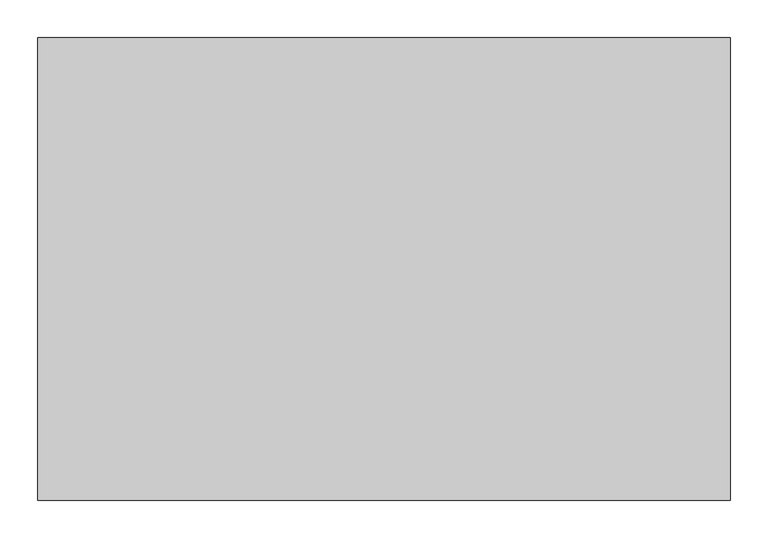
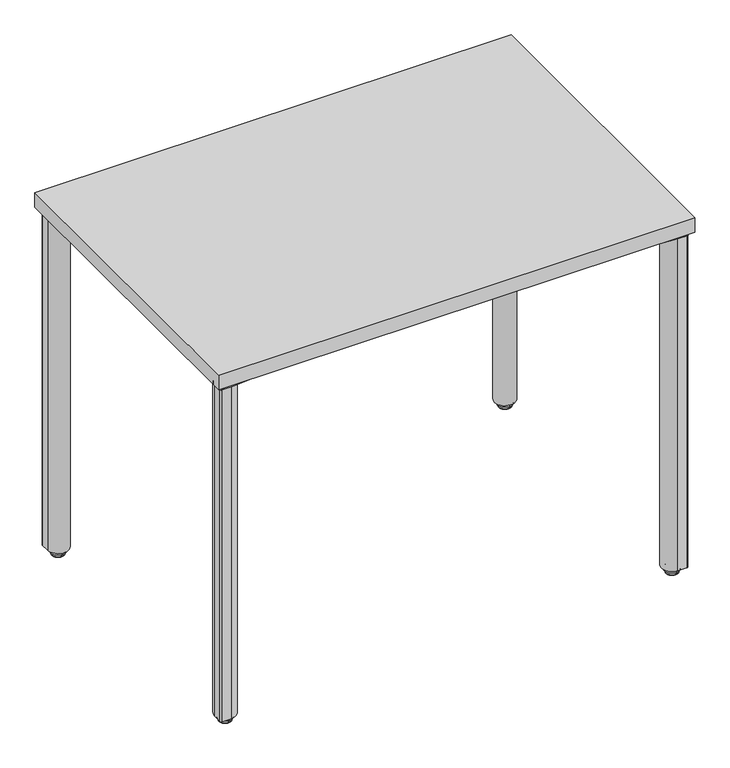
"""IFC4 building model written with IfcOpenShell, lengths in millimetres: furniture geometry."""

from ifc_helpers import new_model, si_unit, point, frame, frame_2d, origin, place, context, project, spatial, polyline, circle_curve, ellipse_curve, trimmed, segment, composite_curve, outline, extrude, source, transform, mapped, element, save
from ifc_brep_helpers import plane_surface, cylinder_surface, revolved_surface, advanced_brep


def furniture_d3efd274(model_context):
    return source(origin(), model_context, "Body", "SolidModel", [
        extrude(outline(composite_curve([segment(polyline([(882.3282419, -602.3591905), (806.9488309, -595.7643464)]), True, "CONTINUOUS"), segment(trimmed(circle_curve(frame_2d((809.1277263, -570.8594586)), 25.0000204), [point((806.9488309, -595.7643464))], [point((791.4500399, -588.5371401))], False, "CARTESIAN"), True, "CONTINUOUS"), segment(polyline([(791.4500399, -588.5371401), (775.4744349, -572.5615305)]), True, "CONTINUOUS"), segment(trimmed(circle_curve(frame_2d((793.1520997, -554.8838707)), 24.9999898), [point((775.4744349, -572.5615305))], [point((768.2472426, -557.0627657))], False, "CARTESIAN"), True, "CONTINUOUS"), segment(polyline([(768.2472426, -557.0627657), (761.7313511, -482.5858634)]), True, "CONTINUOUS"), segment(trimmed(circle_curve(frame_2d((784.2108747, -482.5858634)), 22.4795236), [point((761.7313511, -482.5858634))], [point((784.2108747, -460.1063398))], False, "CARTESIAN"), True, "CONTINUOUS"), segment(polyline([(784.2108747, -460.1063398), (858.6877788, -466.6222314)]), True, "CONTINUOUS"), segment(trimmed(circle_curve(frame_2d((856.5088843, -491.5270836)), 24.9999849), [point((858.6877788, -466.6222314))], [point((874.1865419, -473.8494235))], False, "CARTESIAN"), True, "CONTINUOUS"), segment(polyline([(874.1865419, -473.8494235), (890.1621588, -489.8250381)]), True, "CONTINUOUS"), segment(trimmed(circle_curve(frame_2d((872.4844922, -507.5027072)), 24.9999976), [point((890.1621588, -489.8250381))], [point((897.3893573, -505.323814))], False, "CARTESIAN"), True, "CONTINUOUS"), segment(polyline([(897.3893573, -505.323814), (903.9842007, -580.7032242), (903.9842007, -599.3591908)]), True, "CONTINUOUS"), segment(trimmed(circle_curve(frame_2d((900.984201, -599.3591908)), 2.9999997), [point((903.9842007, -599.3591908))], [point((900.984201, -602.3591905))], False, "CARTESIAN"), True, "CONTINUOUS"), segment(polyline([(900.984201, -602.3591905), (882.3282419, -602.3591905)]), True, "CONTINUOUS")], self_intersect=False)), frame((0.0, 0.0, 686.384201), z_axis=(0.0, 0.0, 1.0), x_axis=(1.0, 0.0, 0.0)), (0.0, 0.0, 1.0), 7.9248),
        advanced_brep(
        [(883.2342, -577.6130981, 14.6833482), (883.2342, -585.6053019, 14.6833482), (883.2342, -581.6092, 14.6833482), (883.2342, -577.6130981, 12.9644666), (883.2342, -585.6053019, 12.9644666), (883.2342, -569.648784, 11.5824174), (883.2342, -593.569616, 11.5824174), (883.2342, -569.1277894, 2.659626), (883.2342, -594.0906106, 2.659626), (883.2342, -595.8548023, 6.9187598), (883.2342, -567.3635977, 6.9187598), (883.2342, -581.6092, 0.0), (883.2342, -590.2922711, 0.0), (883.2342, -572.9261289, 0.0)],
        [
            (0, 1, circle_curve(frame((883.2342, -581.6092, 14.6833482), z_axis=(0.0, 0.0, 1.0), x_axis=(0.0, -1.0, 0.0)), 3.9961019)),
            (1, 2),
            (2, 0),
            (1, 0, circle_curve(frame((883.2342, -581.6092, 14.6833482), z_axis=(0.0, 0.0, 1.0), x_axis=(0.0, -1.0, 0.0)), 3.9961019)),
            (3, 4, circle_curve(frame((883.2342, -581.6092, 12.9644666), z_axis=(0.0, 0.0, 1.0), x_axis=(0.0, -1.0, 0.0)), 3.9961019)),
            (4, 1),
            (0, 3),
            (4, 3, circle_curve(frame((883.2342, -581.6092, 12.9644666), z_axis=(0.0, 0.0, 1.0), x_axis=(0.0, -1.0, 0.0)), 3.9961019)),
            (5, 6, circle_curve(frame((883.2342, -581.6092, 11.5824174), z_axis=(0.0, 0.0, 1.0), x_axis=(0.0, -1.0, 0.0)), 11.960416)),
            (6, 4),
            (3, 5),
            (6, 5, circle_curve(frame((883.2342, -581.6092, 11.5824174), z_axis=(0.0, 0.0, 1.0), x_axis=(0.0, -1.0, 0.0)), 11.960416)),
            (7, 8, circle_curve(frame((883.2342, -581.6092, 2.659626), z_axis=(0.0, 0.0, 1.0), x_axis=(0.0, -1.0, 0.0)), 12.4814106)),
            (8, 9),
            (9, 10, circle_curve(frame((883.2342, -581.6092, 6.9187598), z_axis=(0.0, 0.0, -1.0), x_axis=(0.0, -1.0, 0.0)), 14.2456023)),
            (10, 7),
            (8, 7, circle_curve(frame((883.2342, -581.6092, 2.659626), z_axis=(0.0, 0.0, 1.0), x_axis=(0.0, -1.0, 0.0)), 12.4814106)),
            (10, 9, circle_curve(frame((883.2342, -581.6092, 6.9187598), z_axis=(0.0, 0.0, -1.0), x_axis=(0.0, -1.0, 0.0)), 14.2456023)),
            (11, 12),
            (12, 13, circle_curve(frame((883.2342, -581.6092, 0.0), z_axis=(0.0, 0.0, -1.0), x_axis=(0.0, -1.0, 0.0)), 8.6830711)),
            (13, 11),
            (13, 12, circle_curve(frame((883.2342, -581.6092, 0.0), z_axis=(0.0, 0.0, -1.0), x_axis=(0.0, -1.0, 0.0)), 8.6830711)),
            (9, 6, circle_curve(frame((883.2342, -592.656773, 8.2434275), z_axis=(-1.0, 0.0, 0.0), x_axis=(0.0, -1.0, 0.0)), 3.4615222)),
            (5, 10, circle_curve(frame((883.2342, -570.561627, 8.2434275), z_axis=(-1.0, 0.0, 0.0), x_axis=(0.0, 1.0, 0.0)), 3.4615222)),
            (12, 8, circle_curve(frame((883.2342, -590.1040518, 4.3109134), z_axis=(-1.0, 0.0, 0.0), x_axis=(0.0, -1.0, 0.0)), 4.3150204)),
            (7, 13, circle_curve(frame((883.2342, -573.1143482, 4.3109134), z_axis=(-1.0, 0.0, 0.0), x_axis=(0.0, 1.0, 0.0)), 4.3150204)),
        ],
        [
            plane_surface(frame((883.2342, -581.6092, 14.6833482), z_axis=(0.0, 0.0, 1.0), x_axis=(0.0, -1.0, 0.0))),
            cylinder_surface(frame((883.2342, -581.6092, 2438.4), z_axis=(0.0, 0.0, -1.0), x_axis=(0.0, -1.0, 0.0)), 3.9961019),
            revolved_surface(polyline([(883.2342, -585.6053019, 12.9644666), (883.2342, -593.569616, 11.5824174)]), (883.2342, -581.6092, 2438.4), (0.0, 0.0, -1.0)),
            revolved_surface(polyline([(883.2342, -595.8548023, 6.9187598), (883.2342, -594.0906106, 2.659626)]), (883.2342, -581.6092, 2438.4), (0.0, 0.0, -1.0)),
            plane_surface(frame((883.2342, -581.6092, 0.0), z_axis=(0.0, 0.0, -1.0), x_axis=(0.0, -1.0, 0.0))),
            revolved_surface(trimmed(ellipse_curve(frame((883.2342, -592.656773, 8.2434275), z_axis=(1.0, 0.0, 0.0), x_axis=(0.0, -1.0, 0.0)), 3.4615222, 3.4615222), [point((883.2342, -593.569616, 11.5824174))], [point((883.2342, -595.8548023, 6.9187598))], True, "CARTESIAN"), (883.2342, -581.6092, 2438.4), (0.0, 0.0, -1.0)),
            revolved_surface(trimmed(ellipse_curve(frame((883.2342, -590.1040518, 4.3109134), z_axis=(1.0, 0.0, 0.0), x_axis=(0.0, -1.0, 0.0)), 4.3150204, 4.3150204), [point((883.2342, -594.0906106, 2.659626))], [point((883.2342, -590.2922711, 0.0))], True, "CARTESIAN"), (883.2342, -581.6092, 2438.4), (0.0, 0.0, -1.0)),
        ],
        [
            (0, [[1, 2, 3]]),
            (0, [[4, -3, -2]]),
            (1, [[5, 6, -1, 7]]),
            (1, [[8, -7, -4, -6]]),
            (2, [[9, 10, -5, 11]]),
            (2, [[12, -11, -8, -10]]),
            (3, [[13, 14, 15, 16]]),
            (3, [[17, -16, 18, -14]]),
            (4, [[19, 20, 21]]),
            (4, [[-21, 22, -19]]),
            (5, [[-15, 23, -9, 24]]),
            (5, [[-18, -24, -12, -23]]),
            (6, [[-20, 25, -13, 26]]),
            (6, [[-22, -26, -17, -25]]),
        ],
    ),
        extrude(outline(composite_curve([segment(trimmed(circle_curve(frame_2d((883.2389509, -581.6139401)), 19.9952502), [point((883.2389509, -601.6091903))], [point((903.2342011, -581.6139401))], False, "CARTESIAN"), True, "CONTINUOUS"), segment(polyline([(903.2342011, -581.6139401), (903.2342011, -598.6089752)]), True, "CONTINUOUS"), segment(trimmed(circle_curve(frame_2d((900.233986, -598.6089752)), 3.000215), [point((903.2342011, -598.6089752))], [point((900.233986, -601.6091903))], False, "CARTESIAN"), True, "CONTINUOUS"), segment(polyline([(900.233986, -601.6091903), (883.2389509, -601.6091903)]), True, "CONTINUOUS")], self_intersect=False)), frame((0.0, 0.0, 14.6833482), z_axis=(0.0, 0.0, 1.0), x_axis=(1.0, 0.0, 0.0)), (0.0, 0.0, 1.0), 671.7008528),
        extrude(outline(composite_curve([segment(polyline([(28.8967581, -602.3591905), (10.240799, -602.3591905)]), True, "CONTINUOUS"), segment(trimmed(circle_curve(frame_2d((10.240799, -599.3591908)), 2.9999997), [point((10.240799, -602.3591905))], [point((7.2407993, -599.3591908))], False, "CARTESIAN"), True, "CONTINUOUS"), segment(polyline([(7.2407993, -599.3591908), (7.2407993, -580.7032242), (13.8356427, -505.323814)]), True, "CONTINUOUS"), segment(trimmed(circle_curve(frame_2d((38.7405078, -507.5027072)), 24.9999976), [point((13.8356427, -505.323814))], [point((21.0628412, -489.8250381))], False, "CARTESIAN"), True, "CONTINUOUS"), segment(polyline([(21.0628412, -489.8250381), (37.0384581, -473.8494235)]), True, "CONTINUOUS"), segment(trimmed(circle_curve(frame_2d((54.7161157, -491.5270836)), 24.9999849), [point((37.0384581, -473.8494235))], [point((52.5372212, -466.6222314))], False, "CARTESIAN"), True, "CONTINUOUS"), segment(polyline([(52.5372212, -466.6222314), (127.0141253, -460.1063398)]), True, "CONTINUOUS"), segment(trimmed(circle_curve(frame_2d((127.0141253, -482.5858634)), 22.4795236), [point((127.0141253, -460.1063398))], [point((149.4936489, -482.5858634))], False, "CARTESIAN"), True, "CONTINUOUS"), segment(polyline([(149.4936489, -482.5858634), (142.9777574, -557.0627657)]), True, "CONTINUOUS"), segment(trimmed(circle_curve(frame_2d((118.0729003, -554.8838707)), 24.9999898), [point((142.9777574, -557.0627657))], [point((135.7505651, -572.5615305))], False, "CARTESIAN"), True, "CONTINUOUS"), segment(polyline([(135.7505651, -572.5615305), (119.7749601, -588.5371401)]), True, "CONTINUOUS"), segment(trimmed(circle_curve(frame_2d((102.0972737, -570.8594586)), 25.0000204), [point((119.7749601, -588.5371401))], [point((104.2761691, -595.7643464))], False, "CARTESIAN"), True, "CONTINUOUS"), segment(polyline([(104.2761691, -595.7643464), (28.8967581, -602.3591905)]), True, "CONTINUOUS")], self_intersect=False)), frame((0.0, 0.0, 686.384201), z_axis=(0.0, 0.0, 1.0), x_axis=(1.0, 0.0, 0.0)), (0.0, 0.0, 1.0), 7.9248),
        advanced_brep(
        [(27.9908, -577.6130981, 14.6833482), (27.9908, -581.6092, 14.6833482), (27.9908, -585.6053019, 14.6833482), (27.9908, -577.6130981, 12.9644666), (27.9908, -585.6053019, 12.9644666), (27.9908, -569.648784, 11.5824174), (27.9908, -593.569616, 11.5824174), (27.9908, -569.1277894, 2.659626), (27.9908, -567.3635977, 6.9187598), (27.9908, -595.8548023, 6.9187598), (27.9908, -594.0906106, 2.659626), (27.9908, -581.6092, 0.0), (27.9908, -572.9261289, 0.0), (27.9908, -590.2922711, 0.0)],
        [
            (0, 1),
            (1, 2),
            (2, 0, circle_curve(frame((27.9908, -581.6092, 14.6833482), z_axis=(0.0, 0.0, 1.0), x_axis=(0.0, -1.0, 0.0)), 3.9961019)),
            (0, 2, circle_curve(frame((27.9908, -581.6092, 14.6833482), z_axis=(0.0, 0.0, 1.0), x_axis=(0.0, -1.0, 0.0)), 3.9961019)),
            (3, 0),
            (2, 4),
            (4, 3, circle_curve(frame((27.9908, -581.6092, 12.9644666), z_axis=(0.0, 0.0, 1.0), x_axis=(0.0, -1.0, 0.0)), 3.9961019)),
            (3, 4, circle_curve(frame((27.9908, -581.6092, 12.9644666), z_axis=(0.0, 0.0, 1.0), x_axis=(0.0, -1.0, 0.0)), 3.9961019)),
            (5, 3),
            (4, 6),
            (6, 5, circle_curve(frame((27.9908, -581.6092, 11.5824174), z_axis=(0.0, 0.0, 1.0), x_axis=(0.0, -1.0, 0.0)), 11.960416)),
            (5, 6, circle_curve(frame((27.9908, -581.6092, 11.5824174), z_axis=(0.0, 0.0, 1.0), x_axis=(0.0, -1.0, 0.0)), 11.960416)),
            (7, 8),
            (8, 9, circle_curve(frame((27.9908, -581.6092, 6.9187598), z_axis=(0.0, 0.0, -1.0), x_axis=(0.0, -1.0, 0.0)), 14.2456023)),
            (9, 10),
            (10, 7, circle_curve(frame((27.9908, -581.6092, 2.659626), z_axis=(0.0, 0.0, 1.0), x_axis=(0.0, -1.0, 0.0)), 12.4814106)),
            (9, 8, circle_curve(frame((27.9908, -581.6092, 6.9187598), z_axis=(0.0, 0.0, -1.0), x_axis=(0.0, -1.0, 0.0)), 14.2456023)),
            (7, 10, circle_curve(frame((27.9908, -581.6092, 2.659626), z_axis=(0.0, 0.0, 1.0), x_axis=(0.0, -1.0, 0.0)), 12.4814106)),
            (11, 12),
            (12, 13, circle_curve(frame((27.9908, -581.6092, 0.0), z_axis=(0.0, 0.0, -1.0), x_axis=(0.0, -1.0, 0.0)), 8.6830711)),
            (13, 11),
            (13, 12, circle_curve(frame((27.9908, -581.6092, 0.0), z_axis=(0.0, 0.0, -1.0), x_axis=(0.0, -1.0, 0.0)), 8.6830711)),
            (8, 5, circle_curve(frame((27.9908, -570.561627, 8.2434275), z_axis=(1.0, 0.0, 0.0), x_axis=(0.0, 1.0, 0.0)), 3.4615222)),
            (6, 9, circle_curve(frame((27.9908, -592.656773, 8.2434275), z_axis=(1.0, 0.0, 0.0), x_axis=(0.0, -1.0, 0.0)), 3.4615222)),
            (12, 7, circle_curve(frame((27.9908, -573.1143482, 4.3109134), z_axis=(1.0, 0.0, 0.0), x_axis=(0.0, 1.0, 0.0)), 4.3150204)),
            (10, 13, circle_curve(frame((27.9908, -590.1040518, 4.3109134), z_axis=(1.0, 0.0, 0.0), x_axis=(0.0, -1.0, 0.0)), 4.3150204)),
        ],
        [
            plane_surface(frame((27.9908, -581.6092, 14.6833482), z_axis=(0.0, 0.0, 1.0), x_axis=(0.0, -1.0, 0.0))),
            cylinder_surface(frame((27.9908, -581.6092, 2438.4), z_axis=(0.0, 0.0, -1.0), x_axis=(0.0, -1.0, 0.0)), 3.9961019),
            revolved_surface(polyline([(27.9908, -585.6053019, 12.9644666), (27.9908, -593.569616, 11.5824174)]), (27.9908, -581.6092, 2438.4), (0.0, 0.0, -1.0)),
            revolved_surface(polyline([(27.9908, -595.8548023, 6.9187598), (27.9908, -594.0906106, 2.659626)]), (27.9908, -581.6092, 2438.4), (0.0, 0.0, -1.0)),
            plane_surface(frame((27.9908, -581.6092, 0.0), z_axis=(0.0, 0.0, -1.0), x_axis=(0.0, -1.0, 0.0))),
            revolved_surface(trimmed(ellipse_curve(frame((27.9908, -592.656773, 8.2434275), z_axis=(1.0, 0.0, 0.0), x_axis=(0.0, -1.0, 0.0)), 3.4615222, 3.4615222), [point((27.9908, -593.569616, 11.5824174))], [point((27.9908, -595.8548023, 6.9187598))], True, "CARTESIAN"), (27.9908, -581.6092, 2438.4), (0.0, 0.0, -1.0)),
            revolved_surface(trimmed(ellipse_curve(frame((27.9908, -590.1040518, 4.3109134), z_axis=(1.0, 0.0, 0.0), x_axis=(0.0, -1.0, 0.0)), 4.3150204, 4.3150204), [point((27.9908, -594.0906106, 2.659626))], [point((27.9908, -590.2922711, 0.0))], True, "CARTESIAN"), (27.9908, -581.6092, 2438.4), (0.0, 0.0, -1.0)),
        ],
        [
            (0, [[1, 2, 3]]),
            (0, [[-2, -1, 4]]),
            (1, [[5, -3, 6, 7]]),
            (1, [[-6, -4, -5, 8]]),
            (2, [[9, -7, 10, 11]]),
            (2, [[-10, -8, -9, 12]]),
            (3, [[13, 14, 15, 16]]),
            (3, [[-15, 17, -13, 18]]),
            (4, [[19, 20, 21]]),
            (4, [[-21, 22, -19]]),
            (5, [[23, -11, 24, -14]]),
            (5, [[-24, -12, -23, -17]]),
            (6, [[25, -16, 26, -20]]),
            (6, [[-26, -18, -25, -22]]),
        ],
    ),
        extrude(outline(composite_curve([segment(polyline([(27.9860491, -601.6091903), (10.991014, -601.6091903)]), True, "CONTINUOUS"), segment(trimmed(circle_curve(frame_2d((10.991014, -598.6089752)), 3.000215), [point((10.991014, -601.6091903))], [point((7.9907989, -598.6089752))], False, "CARTESIAN"), True, "CONTINUOUS"), segment(polyline([(7.9907989, -598.6089752), (7.9907989, -581.6139401)]), True, "CONTINUOUS"), segment(trimmed(circle_curve(frame_2d((27.9860491, -581.6139401)), 19.9952502), [point((7.9907989, -581.6139401))], [point((27.9860491, -601.6091903))], False, "CARTESIAN"), True, "CONTINUOUS")], self_intersect=False)), frame((0.0, 0.0, 14.6833482), z_axis=(0.0, 0.0, 1.0), x_axis=(1.0, 0.0, 0.0)), (0.0, 0.0, 1.0), 671.7008528),
        extrude(outline(composite_curve([segment(polyline([(882.3282419, -7.2408095), (900.984201, -7.2408095)]), True, "CONTINUOUS"), segment(trimmed(circle_curve(frame_2d((900.984201, -10.2408092)), 2.9999997), [point((900.984201, -7.2408095))], [point((903.9842007, -10.2408092))], False, "CARTESIAN"), True, "CONTINUOUS"), segment(polyline([(903.9842007, -10.2408092), (903.9842007, -28.8967758), (897.3893573, -104.276186)]), True, "CONTINUOUS"), segment(trimmed(circle_curve(frame_2d((872.4844922, -102.0972928)), 24.9999976), [point((897.3893573, -104.276186))], [point((890.1621588, -119.7749619))], False, "CARTESIAN"), True, "CONTINUOUS"), segment(polyline([(890.1621588, -119.7749619), (874.1865419, -135.7505765)]), True, "CONTINUOUS"), segment(trimmed(circle_curve(frame_2d((856.5088843, -118.0729164)), 24.9999849), [point((874.1865419, -135.7505765))], [point((858.6877788, -142.9777686))], False, "CARTESIAN"), True, "CONTINUOUS"), segment(polyline([(858.6877788, -142.9777686), (784.2108747, -149.4936602)]), True, "CONTINUOUS"), segment(trimmed(circle_curve(frame_2d((784.2108747, -127.0141366)), 22.4795236), [point((784.2108747, -149.4936602))], [point((761.7313511, -127.0141366))], False, "CARTESIAN"), True, "CONTINUOUS"), segment(polyline([(761.7313511, -127.0141366), (768.2472426, -52.5372343)]), True, "CONTINUOUS"), segment(trimmed(circle_curve(frame_2d((793.1520997, -54.7161293)), 24.9999898), [point((768.2472426, -52.5372343))], [point((775.4744349, -37.0384695))], False, "CARTESIAN"), True, "CONTINUOUS"), segment(polyline([(775.4744349, -37.0384695), (791.4500399, -21.0628599)]), True, "CONTINUOUS"), segment(trimmed(circle_curve(frame_2d((809.1277263, -38.7405414)), 25.0000204), [point((791.4500399, -21.0628599))], [point((806.9488309, -13.8356536))], False, "CARTESIAN"), True, "CONTINUOUS"), segment(polyline([(806.9488309, -13.8356536), (882.3282419, -7.2408095)]), True, "CONTINUOUS")], self_intersect=False)), frame((0.0, 0.0, 686.384201), z_axis=(0.0, 0.0, 1.0), x_axis=(1.0, 0.0, 0.0)), (0.0, 0.0, 1.0), 7.9248),
        advanced_brep(
        [(883.2342, -31.9869019, 14.6833482), (883.2342, -27.9908, 14.6833482), (883.2342, -23.9946981, 14.6833482), (883.2342, -31.9869019, 12.9644666), (883.2342, -23.9946981, 12.9644666), (883.2342, -39.951216, 11.5824174), (883.2342, -16.030384, 11.5824174), (883.2342, -40.4722106, 2.659626), (883.2342, -42.2364023, 6.9187598), (883.2342, -13.7451977, 6.9187598), (883.2342, -15.5093894, 2.659626), (883.2342, -27.9908, 0.0), (883.2342, -36.6738711, 0.0), (883.2342, -19.3077289, 0.0)],
        [
            (0, 1),
            (1, 2),
            (2, 0, circle_curve(frame((883.2342, -27.9908, 14.6833482), z_axis=(0.0, 0.0, 1.0), x_axis=(0.0, 1.0, 0.0)), 3.9961019)),
            (0, 2, circle_curve(frame((883.2342, -27.9908, 14.6833482), z_axis=(0.0, 0.0, 1.0), x_axis=(0.0, 1.0, 0.0)), 3.9961019)),
            (3, 0),
            (2, 4),
            (4, 3, circle_curve(frame((883.2342, -27.9908, 12.9644666), z_axis=(0.0, 0.0, 1.0), x_axis=(0.0, 1.0, 0.0)), 3.9961019)),
            (3, 4, circle_curve(frame((883.2342, -27.9908, 12.9644666), z_axis=(0.0, 0.0, 1.0), x_axis=(0.0, 1.0, 0.0)), 3.9961019)),
            (5, 3),
            (4, 6),
            (6, 5, circle_curve(frame((883.2342, -27.9908, 11.5824174), z_axis=(0.0, 0.0, 1.0), x_axis=(0.0, 1.0, 0.0)), 11.960416)),
            (5, 6, circle_curve(frame((883.2342, -27.9908, 11.5824174), z_axis=(0.0, 0.0, 1.0), x_axis=(0.0, 1.0, 0.0)), 11.960416)),
            (7, 8),
            (8, 9, circle_curve(frame((883.2342, -27.9908, 6.9187598), z_axis=(0.0, 0.0, -1.0), x_axis=(0.0, 1.0, 0.0)), 14.2456023)),
            (9, 10),
            (10, 7, circle_curve(frame((883.2342, -27.9908, 2.659626), z_axis=(0.0, 0.0, 1.0), x_axis=(0.0, 1.0, 0.0)), 12.4814106)),
            (9, 8, circle_curve(frame((883.2342, -27.9908, 6.9187598), z_axis=(0.0, 0.0, -1.0), x_axis=(0.0, 1.0, 0.0)), 14.2456023)),
            (7, 10, circle_curve(frame((883.2342, -27.9908, 2.659626), z_axis=(0.0, 0.0, 1.0), x_axis=(0.0, 1.0, 0.0)), 12.4814106)),
            (11, 12),
            (12, 13, circle_curve(frame((883.2342, -27.9908, 0.0), z_axis=(0.0, 0.0, -1.0), x_axis=(0.0, 1.0, 0.0)), 8.6830711)),
            (13, 11),
            (13, 12, circle_curve(frame((883.2342, -27.9908, 0.0), z_axis=(0.0, 0.0, -1.0), x_axis=(0.0, 1.0, 0.0)), 8.6830711)),
            (8, 5, circle_curve(frame((883.2342, -39.038373, 8.2434275), z_axis=(-1.0, 0.0, 0.0), x_axis=(0.0, -1.0, 0.0)), 3.4615222)),
            (6, 9, circle_curve(frame((883.2342, -16.943227, 8.2434275), z_axis=(-1.0, 0.0, 0.0), x_axis=(0.0, 1.0, 0.0)), 3.4615222)),
            (12, 7, circle_curve(frame((883.2342, -36.4856518, 4.3109134), z_axis=(-1.0, 0.0, 0.0), x_axis=(0.0, -1.0, 0.0)), 4.3150204)),
            (10, 13, circle_curve(frame((883.2342, -19.4959482, 4.3109134), z_axis=(-1.0, 0.0, 0.0), x_axis=(0.0, 1.0, 0.0)), 4.3150204)),
        ],
        [
            plane_surface(frame((883.2342, -27.9908, 14.6833482), z_axis=(0.0, 0.0, 1.0), x_axis=(0.0, 1.0, 0.0))),
            cylinder_surface(frame((883.2342, -27.9908, 2438.4), z_axis=(0.0, 0.0, -1.0), x_axis=(0.0, 1.0, 0.0)), 3.9961019),
            revolved_surface(polyline([(883.2342, -23.9946981, 12.9644666), (883.2342, -16.030384, 11.5824174)]), (883.2342, -27.9908, 2438.4), (0.0, 0.0, -1.0)),
            revolved_surface(polyline([(883.2342, -13.7451977, 6.9187598), (883.2342, -15.5093894, 2.659626)]), (883.2342, -27.9908, 2438.4), (0.0, 0.0, -1.0)),
            plane_surface(frame((883.2342, -27.9908, 0.0), z_axis=(0.0, 0.0, -1.0), x_axis=(0.0, 1.0, 0.0))),
            revolved_surface(trimmed(ellipse_curve(frame((883.2342, -16.943227, 8.2434275), z_axis=(-1.0, 0.0, 0.0), x_axis=(0.0, 1.0, 0.0)), 3.4615222, 3.4615222), [point((883.2342, -16.030384, 11.5824174))], [point((883.2342, -13.7451977, 6.9187598))], True, "CARTESIAN"), (883.2342, -27.9908, 2438.4), (0.0, 0.0, -1.0)),
            revolved_surface(trimmed(ellipse_curve(frame((883.2342, -19.4959482, 4.3109134), z_axis=(-1.0, 0.0, 0.0), x_axis=(0.0, 1.0, 0.0)), 4.3150204, 4.3150204), [point((883.2342, -15.5093894, 2.659626))], [point((883.2342, -19.3077289, 0.0))], True, "CARTESIAN"), (883.2342, -27.9908, 2438.4), (0.0, 0.0, -1.0)),
        ],
        [
            (0, [[1, 2, 3]]),
            (0, [[-2, -1, 4]]),
            (1, [[5, -3, 6, 7]]),
            (1, [[-6, -4, -5, 8]]),
            (2, [[9, -7, 10, 11]]),
            (2, [[-10, -8, -9, 12]]),
            (3, [[13, 14, 15, 16]]),
            (3, [[-15, 17, -13, 18]]),
            (4, [[19, 20, 21]]),
            (4, [[-21, 22, -19]]),
            (5, [[23, -11, 24, -14]]),
            (5, [[-24, -12, -23, -17]]),
            (6, [[25, -16, 26, -20]]),
            (6, [[-26, -18, -25, -22]]),
        ],
    ),
        extrude(outline(composite_curve([segment(polyline([(883.2389509, -7.9908097), (900.233986, -7.9908097)]), True, "CONTINUOUS"), segment(trimmed(circle_curve(frame_2d((900.233986, -10.9910248)), 3.000215), [point((900.233986, -7.9908097))], [point((903.2342011, -10.9910248))], False, "CARTESIAN"), True, "CONTINUOUS"), segment(polyline([(903.2342011, -10.9910248), (903.2342011, -27.9860599)]), True, "CONTINUOUS"), segment(trimmed(circle_curve(frame_2d((883.2389509, -27.9860599)), 19.9952502), [point((903.2342011, -27.9860599))], [point((883.2389509, -7.9908097))], False, "CARTESIAN"), True, "CONTINUOUS")], self_intersect=False)), frame((0.0, 0.0, 14.6833482), z_axis=(0.0, 0.0, 1.0), x_axis=(1.0, 0.0, 0.0)), (0.0, 0.0, 1.0), 671.7008528),
        extrude(outline(composite_curve([segment(polyline([(28.8967581, -7.2408095), (104.2761691, -13.8356536)]), True, "CONTINUOUS"), segment(trimmed(circle_curve(frame_2d((102.0972737, -38.7405414)), 25.0000204), [point((104.2761691, -13.8356536))], [point((119.7749601, -21.0628599))], False, "CARTESIAN"), True, "CONTINUOUS"), segment(polyline([(119.7749601, -21.0628599), (135.7505651, -37.0384695)]), True, "CONTINUOUS"), segment(trimmed(circle_curve(frame_2d((118.0729003, -54.7161293)), 24.9999898), [point((135.7505651, -37.0384695))], [point((142.9777574, -52.5372343))], False, "CARTESIAN"), True, "CONTINUOUS"), segment(polyline([(142.9777574, -52.5372343), (149.4936489, -127.0141366)]), True, "CONTINUOUS"), segment(trimmed(circle_curve(frame_2d((127.0141253, -127.0141366)), 22.4795236), [point((149.4936489, -127.0141366))], [point((127.0141253, -149.4936602))], False, "CARTESIAN"), True, "CONTINUOUS"), segment(polyline([(127.0141253, -149.4936602), (52.5372212, -142.9777686)]), True, "CONTINUOUS"), segment(trimmed(circle_curve(frame_2d((54.7161157, -118.0729164)), 24.9999849), [point((52.5372212, -142.9777686))], [point((37.0384581, -135.7505765))], False, "CARTESIAN"), True, "CONTINUOUS"), segment(polyline([(37.0384581, -135.7505765), (21.0628412, -119.7749619)]), True, "CONTINUOUS"), segment(trimmed(circle_curve(frame_2d((38.7405078, -102.0972928)), 24.9999976), [point((21.0628412, -119.7749619))], [point((13.8356427, -104.276186))], False, "CARTESIAN"), True, "CONTINUOUS"), segment(polyline([(13.8356427, -104.276186), (7.2407993, -28.8967758), (7.2407993, -10.2408092)]), True, "CONTINUOUS"), segment(trimmed(circle_curve(frame_2d((10.240799, -10.2408092)), 2.9999997), [point((7.2407993, -10.2408092))], [point((10.240799, -7.2408095))], False, "CARTESIAN"), True, "CONTINUOUS"), segment(polyline([(10.240799, -7.2408095), (28.8967581, -7.2408095)]), True, "CONTINUOUS")], self_intersect=False)), frame((0.0, 0.0, 686.384201), z_axis=(0.0, 0.0, 1.0), x_axis=(1.0, 0.0, 0.0)), (0.0, 0.0, 1.0), 7.9248),
        advanced_brep(
        [(27.9908, -31.9869019, 14.6833482), (27.9908, -23.9946981, 14.6833482), (27.9908, -27.9908, 14.6833482), (27.9908, -31.9869019, 12.9644666), (27.9908, -23.9946981, 12.9644666), (27.9908, -39.951216, 11.5824174), (27.9908, -16.030384, 11.5824174), (27.9908, -40.4722106, 2.659626), (27.9908, -15.5093894, 2.659626), (27.9908, -13.7451977, 6.9187598), (27.9908, -42.2364023, 6.9187598), (27.9908, -27.9908, 0.0), (27.9908, -19.3077289, 0.0), (27.9908, -36.6738711, 0.0)],
        [
            (0, 1, circle_curve(frame((27.9908, -27.9908, 14.6833482), z_axis=(0.0, 0.0, 1.0), x_axis=(0.0, 1.0, 0.0)), 3.9961019)),
            (1, 2),
            (2, 0),
            (1, 0, circle_curve(frame((27.9908, -27.9908, 14.6833482), z_axis=(0.0, 0.0, 1.0), x_axis=(0.0, 1.0, 0.0)), 3.9961019)),
            (3, 4, circle_curve(frame((27.9908, -27.9908, 12.9644666), z_axis=(0.0, 0.0, 1.0), x_axis=(0.0, 1.0, 0.0)), 3.9961019)),
            (4, 1),
            (0, 3),
            (4, 3, circle_curve(frame((27.9908, -27.9908, 12.9644666), z_axis=(0.0, 0.0, 1.0), x_axis=(0.0, 1.0, 0.0)), 3.9961019)),
            (5, 6, circle_curve(frame((27.9908, -27.9908, 11.5824174), z_axis=(0.0, 0.0, 1.0), x_axis=(0.0, 1.0, 0.0)), 11.960416)),
            (6, 4),
            (3, 5),
            (6, 5, circle_curve(frame((27.9908, -27.9908, 11.5824174), z_axis=(0.0, 0.0, 1.0), x_axis=(0.0, 1.0, 0.0)), 11.960416)),
            (7, 8, circle_curve(frame((27.9908, -27.9908, 2.659626), z_axis=(0.0, 0.0, 1.0), x_axis=(0.0, 1.0, 0.0)), 12.4814106)),
            (8, 9),
            (9, 10, circle_curve(frame((27.9908, -27.9908, 6.9187598), z_axis=(0.0, 0.0, -1.0), x_axis=(0.0, 1.0, 0.0)), 14.2456023)),
            (10, 7),
            (8, 7, circle_curve(frame((27.9908, -27.9908, 2.659626), z_axis=(0.0, 0.0, 1.0), x_axis=(0.0, 1.0, 0.0)), 12.4814106)),
            (10, 9, circle_curve(frame((27.9908, -27.9908, 6.9187598), z_axis=(0.0, 0.0, -1.0), x_axis=(0.0, 1.0, 0.0)), 14.2456023)),
            (11, 12),
            (12, 13, circle_curve(frame((27.9908, -27.9908, 0.0), z_axis=(0.0, 0.0, -1.0), x_axis=(0.0, 1.0, 0.0)), 8.6830711)),
            (13, 11),
            (13, 12, circle_curve(frame((27.9908, -27.9908, 0.0), z_axis=(0.0, 0.0, -1.0), x_axis=(0.0, 1.0, 0.0)), 8.6830711)),
            (9, 6, circle_curve(frame((27.9908, -16.943227, 8.2434275), z_axis=(1.0, 0.0, 0.0), x_axis=(0.0, 1.0, 0.0)), 3.4615222)),
            (5, 10, circle_curve(frame((27.9908, -39.038373, 8.2434275), z_axis=(1.0, 0.0, 0.0), x_axis=(0.0, -1.0, 0.0)), 3.4615222)),
            (12, 8, circle_curve(frame((27.9908, -19.4959482, 4.3109134), z_axis=(1.0, 0.0, 0.0), x_axis=(0.0, 1.0, 0.0)), 4.3150204)),
            (7, 13, circle_curve(frame((27.9908, -36.4856518, 4.3109134), z_axis=(1.0, 0.0, 0.0), x_axis=(0.0, -1.0, 0.0)), 4.3150204)),
        ],
        [
            plane_surface(frame((27.9908, -27.9908, 14.6833482), z_axis=(0.0, 0.0, 1.0), x_axis=(0.0, 1.0, 0.0))),
            cylinder_surface(frame((27.9908, -27.9908, 2438.4), z_axis=(0.0, 0.0, -1.0), x_axis=(0.0, 1.0, 0.0)), 3.9961019),
            revolved_surface(polyline([(27.9908, -23.9946981, 12.9644666), (27.9908, -16.030384, 11.5824174)]), (27.9908, -27.9908, 2438.4), (0.0, 0.0, -1.0)),
            revolved_surface(polyline([(27.9908, -13.7451977, 6.9187598), (27.9908, -15.5093894, 2.659626)]), (27.9908, -27.9908, 2438.4), (0.0, 0.0, -1.0)),
            plane_surface(frame((27.9908, -27.9908, 0.0), z_axis=(0.0, 0.0, -1.0), x_axis=(0.0, 1.0, 0.0))),
            revolved_surface(trimmed(ellipse_curve(frame((27.9908, -16.943227, 8.2434275), z_axis=(-1.0, 0.0, 0.0), x_axis=(0.0, 1.0, 0.0)), 3.4615222, 3.4615222), [point((27.9908, -16.030384, 11.5824174))], [point((27.9908, -13.7451977, 6.9187598))], True, "CARTESIAN"), (27.9908, -27.9908, 2438.4), (0.0, 0.0, -1.0)),
            revolved_surface(trimmed(ellipse_curve(frame((27.9908, -19.4959482, 4.3109134), z_axis=(-1.0, 0.0, 0.0), x_axis=(0.0, 1.0, 0.0)), 4.3150204, 4.3150204), [point((27.9908, -15.5093894, 2.659626))], [point((27.9908, -19.3077289, 0.0))], True, "CARTESIAN"), (27.9908, -27.9908, 2438.4), (0.0, 0.0, -1.0)),
        ],
        [
            (0, [[1, 2, 3]]),
            (0, [[4, -3, -2]]),
            (1, [[5, 6, -1, 7]]),
            (1, [[8, -7, -4, -6]]),
            (2, [[9, 10, -5, 11]]),
            (2, [[12, -11, -8, -10]]),
            (3, [[13, 14, 15, 16]]),
            (3, [[17, -16, 18, -14]]),
            (4, [[19, 20, 21]]),
            (4, [[-21, 22, -19]]),
            (5, [[-15, 23, -9, 24]]),
            (5, [[-18, -24, -12, -23]]),
            (6, [[-20, 25, -13, 26]]),
            (6, [[-22, -26, -17, -25]]),
        ],
    ),
        extrude(outline(composite_curve([segment(trimmed(circle_curve(frame_2d((27.9860491, -27.9860599)), 19.9952502), [point((27.9860491, -7.9908097))], [point((7.9907989, -27.9860599))], False, "CARTESIAN"), True, "CONTINUOUS"), segment(polyline([(7.9907989, -27.9860599), (7.9907989, -10.9910248)]), True, "CONTINUOUS"), segment(trimmed(circle_curve(frame_2d((10.991014, -10.9910248)), 3.000215), [point((7.9907989, -10.9910248))], [point((10.991014, -7.9908097))], False, "CARTESIAN"), True, "CONTINUOUS"), segment(polyline([(10.991014, -7.9908097), (27.9860491, -7.9908097)]), True, "CONTINUOUS")], self_intersect=False)), frame((0.0, 0.0, 14.6833482), z_axis=(0.0, 0.0, 1.0), x_axis=(1.0, 0.0, 0.0)), (0.0, 0.0, 1.0), 671.7008528),
        extrude(outline(polyline([(0.0, 0.0), (911.225, 0.0), (911.225, -609.6), (0.0, -609.6), (0.0, 0.0)])), frame((0.0, 0.0, 694.309), z_axis=(0.0, 0.0, 1.0), x_axis=(1.0, 0.0, 0.0)), (0.0, 0.0, 1.0), 29.591),
    ])


if __name__ == "__main__":
    model = new_model("IFC4")
    model_context = context("Model", 3, world=origin())
    ifc_project = project(units=[si_unit("LENGTHUNIT", "METRE", prefix="MILLI")], contexts=[model_context])
    site = spatial("IfcSite", under=ifc_project)
    building = spatial("IfcBuilding", under=site)
    placement = place(None, origin())
    furniture_shape = furniture_d3efd274(model_context)
    element("IfcFurniture", 1, at=placement, inside=building, context=model_context, shape_type="MappedRepresentation", body=[
        mapped(furniture_shape, transform((0.0, 0.0, 0.0), x_axis=(1.0, 0.0, 0.0), y_axis=(0.0, 1.0, 0.0), z_axis=(0.0, 0.0, 1.0))),
    ])
    save(model, "model.ifc")
